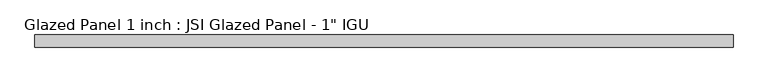
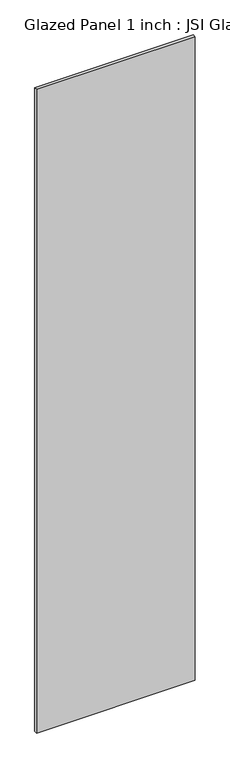
"""IFC4 building model written with IfcOpenShell, lengths in millimetres: plate geometry."""

from ifc_helpers import new_model, si_unit, origin, origin_with_axes, place, context, project, spatial, polyline, outline, extrude, source, transform, mapped, element, save


def plate_411ea530(model_context):
    return source(origin(), model_context, "Body", "SweptSolid", [
        extrude(outline(polyline([(711.2, -12.7), (-711.2, -12.7), (-711.2, 12.7), (711.2, 12.7), (711.2, -12.7)])), origin_with_axes(), (0.0, 0.0, 1.0), 6096.0),
    ])


if __name__ == "__main__":
    model = new_model("IFC4")
    model_context = context("Model", 3, world=origin())
    ifc_project = project(units=[si_unit("LENGTHUNIT", "METRE", prefix="MILLI")], contexts=[model_context])
    site = spatial("IfcSite", under=ifc_project)
    building = spatial("IfcBuilding", under=site)
    placement = place(None, origin())
    plate_shape = plate_411ea530(model_context)
    element("IfcPlate", 1, ObjectType="Glazed Panel 1 inch : JSI Glazed Panel - 1\" IGU", at=placement, inside=building, context=model_context, shape_type="MappedRepresentation", body=[
        mapped(plate_shape, transform((0.0, 0.0, 0.0), x_axis=(1.0, 0.0, 0.0), y_axis=(0.0, 1.0, 0.0), z_axis=(0.0, 0.0, 1.0))),
    ])
    save(model, "model.ifc")
